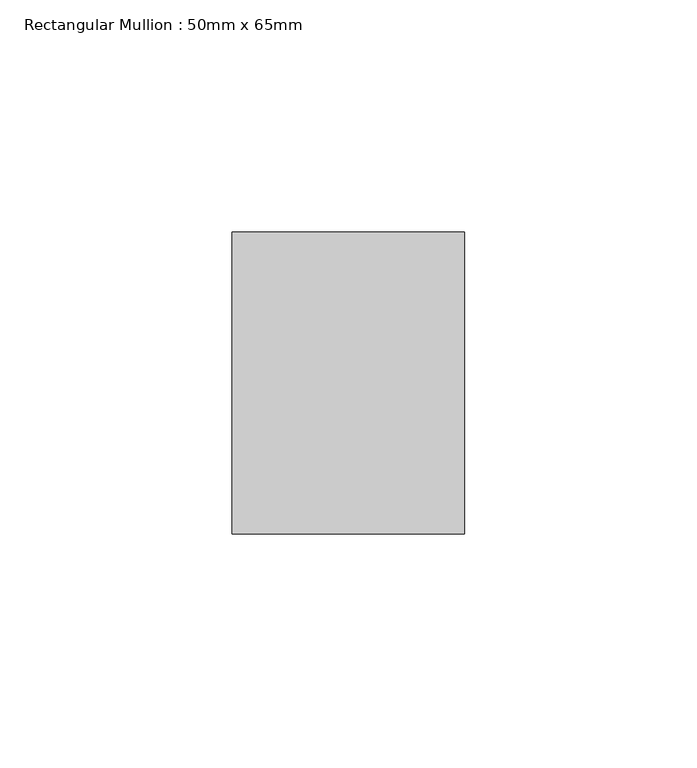
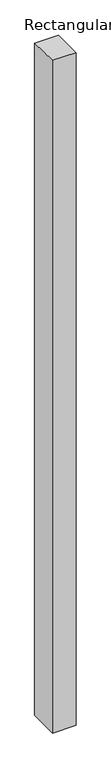
"""IFC4 building model written with IfcOpenShell, lengths in millimetres: member geometry, Rectangular Mullion : 50mm x 65mm."""

from ifc_helpers import new_model, si_unit, origin, place, context, project, spatial, faceted_brep, source, transform, mapped, element, save


def rectangular_mullion_50mm_x_65mm_ad890881(model_context):
    return source(origin(), model_context, "Body", "Brep", [
        faceted_brep([(-25.0, 32.5, -0.3057232), (25.0, 32.5, -0.3057235), (25.0, 32.5, -1499.796903), (-25.0, 32.5, -1499.7969031), (-25.0, -32.5, 0.3057235), (-25.0, -32.5, -1500.2023779), (25.0, -32.5, 0.3057232), (25.0, -32.5, -1500.2023777)], [[[0, 1, 2, 3]], [[4, 0, 3, 5]], [[6, 4, 5, 7]], [[1, 6, 7, 2]], [[1, 0, 4, 6]], [[2, 7, 5, 3]]]),
    ])


if __name__ == "__main__":
    model = new_model("IFC4")
    model_context = context("Model", 3, world=origin())
    ifc_project = project(units=[si_unit("LENGTHUNIT", "METRE", prefix="MILLI")], contexts=[model_context])
    site = spatial("IfcSite", under=ifc_project)
    building = spatial("IfcBuilding", under=site)
    placement = place(None, origin())
    rectangular_mullion_50mm_x_65mm_shape = rectangular_mullion_50mm_x_65mm_ad890881(model_context)
    element("IfcMember", 1, ObjectType="Rectangular Mullion : 50mm x 65mm", at=placement, inside=building, context=model_context, shape_type="MappedRepresentation", body=[
        mapped(rectangular_mullion_50mm_x_65mm_shape, transform((0.0, 0.0, 0.0), x_axis=(1.0, 0.0, 0.0), y_axis=(0.0, 1.0, 0.0), z_axis=(0.0, 0.0, 1.0))),
    ])
    save(model, "model.ifc")
